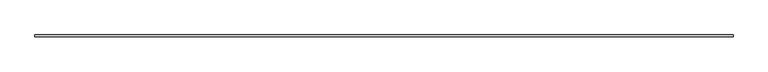
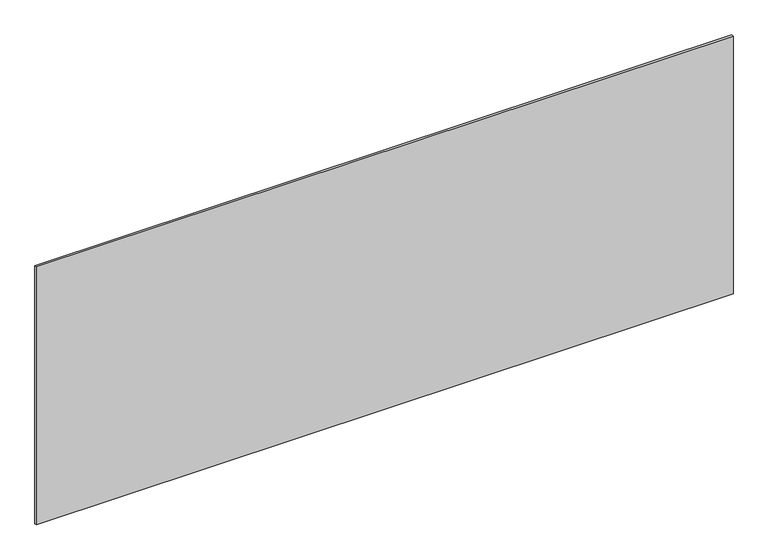
"""IFC4 building model written with IfcOpenShell, lengths in millimetres: plate geometry."""

from ifc_helpers import new_model, si_unit, origin, origin_with_axes, place, context, project, spatial, polyline, outline, extrude, source, transform, mapped, element, save


def plate_1e6d37a2(model_context):
    return source(origin(), model_context, "Body", "SweptSolid", [
        extrude(outline(polyline([(1697.5, -5.0), (-1697.5, -5.0), (-1697.5, 5.0), (1697.5, 5.0), (1697.5, -5.0)])), origin_with_axes(), (0.0, 0.0, 1.0), 1327.5187473),
    ])


if __name__ == "__main__":
    model = new_model("IFC4")
    model_context = context("Model", 3, world=origin())
    ifc_project = project(units=[si_unit("LENGTHUNIT", "METRE", prefix="MILLI")], contexts=[model_context])
    site = spatial("IfcSite", under=ifc_project)
    building = spatial("IfcBuilding", under=site)
    placement = place(None, origin())
    plate_shape = plate_1e6d37a2(model_context)
    element("IfcPlate", 1, at=placement, inside=building, context=model_context, shape_type="MappedRepresentation", body=[
        mapped(plate_shape, transform((0.0, 0.0, 0.0), x_axis=(1.0, 0.0, 0.0), y_axis=(0.0, 1.0, 0.0), z_axis=(0.0, 0.0, 1.0))),
    ])
    save(model, "model.ifc")
